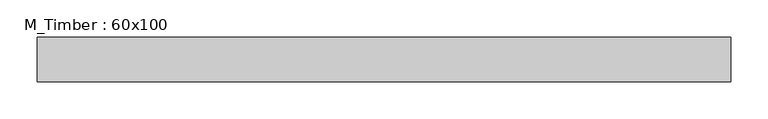
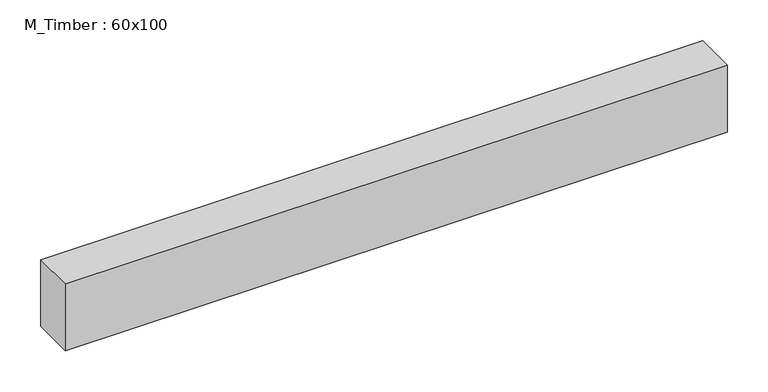
"""IFC4 building model written with IfcOpenShell, lengths in millimetres: beam geometry, M_Timber : 60x100."""

from ifc_helpers import new_model, si_unit, frame, origin, place, context, project, spatial, polyline, outline, extrude, source, transform, mapped, element, save


def m_timber_60x100_a48c9822(model_context):
    return source(origin(), model_context, "Body", "SweptSolid", [
        extrude(outline(polyline([(477.340529, 30.0), (477.340529, -30.0), (-458.32972, -30.0), (-458.32972, 30.0), (477.340529, 30.0)])), frame((0.0, 0.0, -50.0), z_axis=(0.0, 0.0, 1.0), x_axis=(1.0, 0.0, 0.0)), (0.0, 0.0, 1.0), 100.0),
    ])


if __name__ == "__main__":
    model = new_model("IFC4")
    model_context = context("Model", 3, world=origin())
    ifc_project = project(units=[si_unit("LENGTHUNIT", "METRE", prefix="MILLI")], contexts=[model_context])
    site = spatial("IfcSite", under=ifc_project)
    building = spatial("IfcBuilding", under=site)
    placement = place(None, origin())
    m_timber_60x100_shape = m_timber_60x100_a48c9822(model_context)
    element("IfcBeam", 1, ObjectType="M_Timber : 60x100", at=placement, inside=building, context=model_context, shape_type="MappedRepresentation", body=[
        mapped(m_timber_60x100_shape, transform((0.0, 0.0, 0.0), x_axis=(1.0, 0.0, 0.0), y_axis=(0.0, 1.0, 0.0), z_axis=(0.0, 0.0, 1.0))),
    ])
    save(model, "model.ifc")
